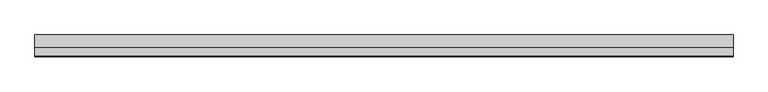
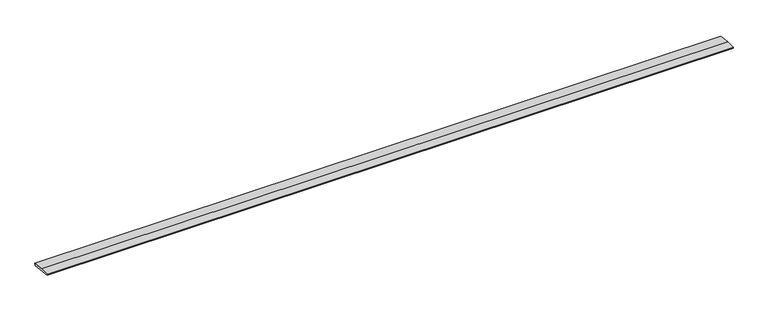
"""IFC4 building model written with IfcOpenShell, lengths in millimetres: beam geometry."""

from ifc_helpers import new_model, si_unit, frame, origin, place, context, project, spatial, polyline, outline, extrude, source, transform, mapped, element, save


def beam_33133b0b(model_context):
    return source(origin(), model_context, "Body", "SweptSolid", [
        extrude(outline(polyline([(0.0, -9.143159), (1.1226388, 0.0), (79.0749747, 0.0), (180.9387048, -12.5072934), (178.6231873, -31.3656703), (0.0, -9.143159)])), frame((-2913.3084789, 0.0, 0.0), z_axis=(1.0, 0.0, 0.0), x_axis=(0.0, 1.0, 0.0)), (0.0, 0.0, 1.0), 5826.6169577),
    ])


if __name__ == "__main__":
    model = new_model("IFC4")
    model_context = context("Model", 3, world=origin())
    ifc_project = project(units=[si_unit("LENGTHUNIT", "METRE", prefix="MILLI")], contexts=[model_context])
    site = spatial("IfcSite", under=ifc_project)
    building = spatial("IfcBuilding", under=site)
    placement = place(None, origin())
    beam_shape = beam_33133b0b(model_context)
    element("IfcBeam", 1, at=placement, inside=building, context=model_context, shape_type="MappedRepresentation", body=[
        mapped(beam_shape, transform((0.0, 0.0, 0.0), x_axis=(1.0, 0.0, 0.0), y_axis=(0.0, 1.0, 0.0), z_axis=(0.0, 0.0, 1.0))),
    ])
    save(model, "model.ifc")
